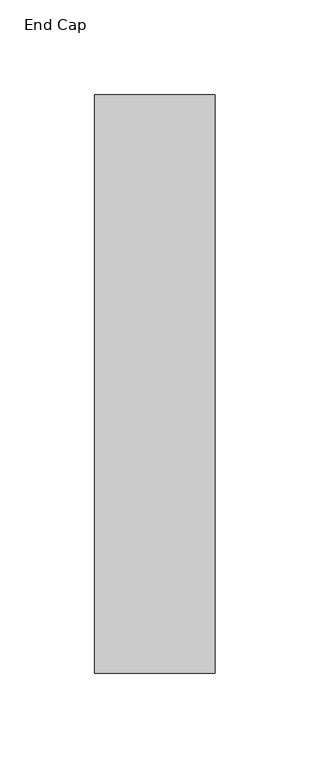
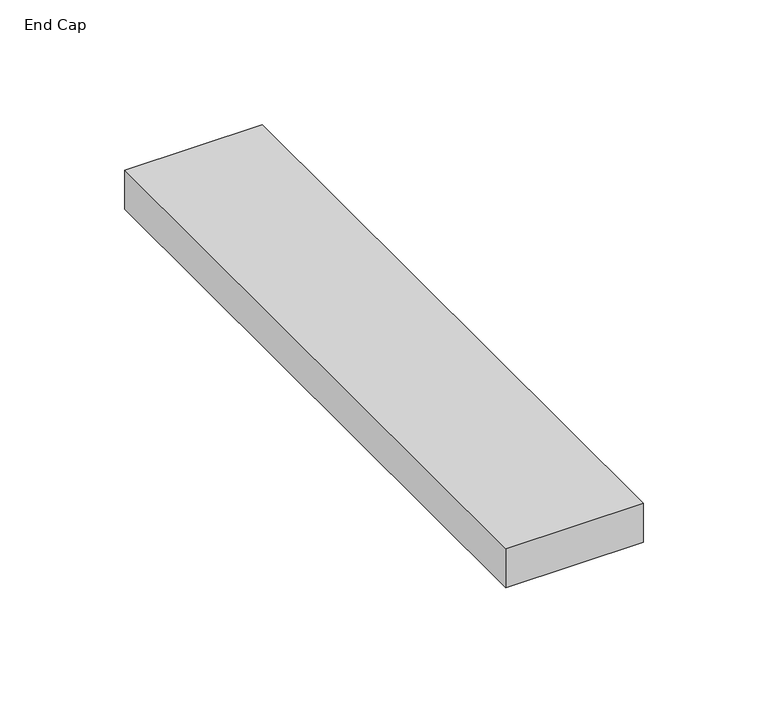
"""IFC4 building model written with IfcOpenShell, lengths in millimetres: furniture geometry, End Cap."""

import ifcopenshell
import ifcopenshell.guid

model = None  # the IFC model being written
_history = None  # IfcOwnerHistory: only IFC2X3 demands one
_inside = {}  # id of a spatial element -> (the spatial element, [elements in it])
_under = {}  # id of a project, library or spatial element -> (it, [spatial elements below it])
_declared = {}  # id of a project -> (the project, [libraries it declares])
_typed = {}  # id of a type object -> (the type object, [elements of that type])
_made_of = {}  # id of a material, layer set ... -> (it, [elements and type objects made of it])


def new_model(schema):
    """Start an empty IFC model of exactly this schema.

    Asked for "IFC4X3", IfcOpenShell would pick the latest addendum, in which some entities
    have other attributes; the version numbers below select the first issue.
    IFC2X3 requires an IfcOwnerHistory on every rooted entity: one is made here for all.
    """
    global model, _history
    if schema == "IFC4X3":
        model = ifcopenshell.file(schema_version=(4, 3, 0, 0))
    else:
        model = ifcopenshell.file(schema=schema)
    _inside.clear()
    _under.clear()
    _declared.clear()
    _typed.clear()
    _made_of.clear()
    _history = None
    if model.schema == "IFC2X3":
        org = make("IfcOrganization", Name="unknown")
        user = make(
            "IfcPersonAndOrganization",
            ThePerson=make("IfcPerson", FamilyName="unknown"),
            TheOrganization=org,
        )
        app = make(
            "IfcApplication",
            ApplicationDeveloper=org,
            Version="unknown",
            ApplicationFullName="unknown",
            ApplicationIdentifier="unknown",
        )
        _history = make(
            "IfcOwnerHistory",
            OwningUser=user,
            OwningApplication=app,
            ChangeAction="ADDED",
            CreationDate=0,
        )
    return model


def make(cls, **values):
    """One entity of the class cls with the attributes given. An attribute that is None is left unset."""
    return model.create_entity(
        cls, **{name: value for name, value in values.items() if value is not None}
    )


def rooted(cls, **values):
    """An entity with a GlobalId (a new one), such as an element, a storey or a relation."""
    return make(cls, GlobalId=ifcopenshell.guid.new(), OwnerHistory=_history, **values)


def si_unit(unit_type, name, prefix=None):
    """IfcSIUnit, for example si_unit("LENGTHUNIT", "METRE", prefix="MILLI")."""
    return make("IfcSIUnit", UnitType=unit_type, Prefix=prefix, Name=name)


def assignment(units):
    """IfcUnitAssignment: the units of a project."""
    return None if units is None else make("IfcUnitAssignment", Units=units)


def point(xyz):
    """IfcCartesianPoint."""
    return None if xyz is None else make("IfcCartesianPoint", Coordinates=xyz)


def direction(xyz):
    """IfcDirection."""
    return None if xyz is None else make("IfcDirection", DirectionRatios=xyz)


def frame(location, z_axis=None, x_axis=None):
    """IfcAxis2Placement3D, a coordinate frame: its origin and axes. An axis left out is left unset."""
    return make(
        "IfcAxis2Placement3D",
        Location=point(location),
        Axis=direction(z_axis),
        RefDirection=direction(x_axis),
    )


def origin():
    """The frame at (0, 0, 0) with its axes left unset."""
    return frame((0.0, 0.0, 0.0))


def place(relative_to, where):
    """IfcLocalPlacement: puts the frame where relative to a parent placement (None: the world)."""
    return make(
        "IfcLocalPlacement", PlacementRelTo=relative_to, RelativePlacement=where
    )


def context(
    kind, dimensions, precision=None, world=None, true_north=None, identifier=None
):
    """IfcGeometricRepresentationContext, for example the 3D "Model" context."""
    return make(
        "IfcGeometricRepresentationContext",
        ContextIdentifier=identifier,
        ContextType=kind,
        CoordinateSpaceDimension=dimensions,
        Precision=precision,
        WorldCoordinateSystem=world,
        TrueNorth=true_north,
    )


def project(units=None, contexts=None):
    """IfcProject with its units and contexts."""
    return rooted(
        "IfcProject",
        Name="project",
        RepresentationContexts=contexts,
        UnitsInContext=assignment(units),
    )


def spatial(cls, under=None, at=None, **own):
    """A site, building, storey or space (cls), placed at a placement, below another one or the project."""
    s = rooted(cls, ObjectPlacement=at, **own)
    if under is not None:
        _under.setdefault(under.id(), (under, []))[1].append(s)
    return s


def polyline(points):
    """IfcPolyline through the points."""
    return make("IfcPolyline", Points=[point(p) for p in points])


def outline(outer, holes=None, kind="AREA"):
    """IfcArbitraryClosedProfileDef: a profile drawn as a closed curve; with holes, ...WithVoids."""
    if holes is None:
        return make("IfcArbitraryClosedProfileDef", ProfileType=kind, OuterCurve=outer)
    return make(
        "IfcArbitraryProfileDefWithVoids",
        ProfileType=kind,
        OuterCurve=outer,
        InnerCurves=holes,
    )


def extrude(swept, where, along, depth):
    """IfcExtrudedAreaSolid: the profile swept, set in the frame where, extruded along a direction by depth."""
    return make(
        "IfcExtrudedAreaSolid",
        SweptArea=swept,
        Position=where,
        ExtrudedDirection=direction(along),
        Depth=depth,
    )


def shape(context_of_items, identifier, shape_type, items):
    """IfcShapeRepresentation: the items that make up one representation, for example the "Body"."""
    return make(
        "IfcShapeRepresentation",
        ContextOfItems=context_of_items,
        RepresentationIdentifier=identifier,
        RepresentationType=shape_type,
        Items=items,
    )


def source(mapping_origin, context_of_items, identifier, shape_type, items):
    """IfcRepresentationMap: a shape defined once, which mapped items show again and again."""
    return make(
        "IfcRepresentationMap",
        MappingOrigin=mapping_origin,
        MappedRepresentation=shape(context_of_items, identifier, shape_type, items),
    )


def transform(
    local_origin,
    x_axis=None,
    y_axis=None,
    z_axis=None,
    scale=None,
    scale2=None,
    scale3=None,
    uniform=True,
):
    """IfcCartesianTransformationOperator3D, or its non-uniform kind. x_axis, y_axis, z_axis: its Axis1, 2, 3."""
    if uniform:
        return make(
            "IfcCartesianTransformationOperator3D",
            Axis1=direction(x_axis),
            Axis2=direction(y_axis),
            LocalOrigin=point(local_origin),
            Scale=scale,
            Axis3=direction(z_axis),
        )
    return make(
        "IfcCartesianTransformationOperator3DnonUniform",
        Axis1=direction(x_axis),
        Axis2=direction(y_axis),
        LocalOrigin=point(local_origin),
        Scale=scale,
        Axis3=direction(z_axis),
        Scale2=scale2,
        Scale3=scale3,
    )


def mapped(mapping_source, mapping_target):
    """IfcMappedItem: shows the shape of a source again, moved by a transform."""
    return make(
        "IfcMappedItem", MappingSource=mapping_source, MappingTarget=mapping_target
    )


def made_of(thing, what):
    """Note that an element or type object is made of a material, layer set ...; save() writes the relation."""
    if what is not None:
        _made_of.setdefault(what.id(), (what, []))[1].append(thing)
    return thing


def element(
    cls,
    number,
    at=None,
    inside=None,
    cuts=None,
    type_object=None,
    material=None,
    context=None,
    identifier="Body",
    shape_type=None,
    held_by="IfcProductDefinitionShape",
    body=None,
    shapes=None,
    **own,
):
    """One element of the class cls, such as IfcWall. Its Tag is "e" and its number.

    at: its placement. inside: the storey or other place that contains it. cuts: it is an
    opening in that element (IfcRelVoidsElement). A single representation is given by context,
    identifier, shape_type and body (its items); several are given by shapes. held_by: the class
    of the entity that holds the representations. save() writes the other relations.
    """
    e = rooted(cls, Tag="e%d" % number, ObjectPlacement=at, **own)
    if body is not None:
        shapes = [shape(context, identifier, shape_type, body)]
    if shapes is not None:
        e.Representation = make(held_by, Representations=shapes)
    if inside is not None:
        _inside.setdefault(inside.id(), (inside, []))[1].append(e)
    if cuts is not None:
        rooted(
            "IfcRelVoidsElement", RelatingBuildingElement=cuts, RelatedOpeningElement=e
        )
    if type_object is not None:
        _typed.setdefault(type_object.id(), (type_object, []))[1].append(e)
    return made_of(e, material)


def aggregate(whole, parts):
    """IfcRelAggregates: a whole, such as a stair, and the parts it consists of."""
    return rooted("IfcRelAggregates", RelatingObject=whole, RelatedObjects=parts)


def save(model, path):
    """Write the relations noted so far, then the file.

    IfcRelAggregates (storeys below a building ...), IfcRelContainedInSpatialStructure (elements
    in a storey), IfcRelDefinesByType, IfcRelAssociatesMaterial and IfcRelDeclares: one each for
    every whole, place, type object, material and project.
    """
    for whole, parts in _under.values():
        aggregate(whole, parts)
    for where, things in _inside.values():
        rooted(
            "IfcRelContainedInSpatialStructure",
            RelatedElements=things,
            RelatingStructure=where,
        )
    for kind, things in _typed.values():
        rooted("IfcRelDefinesByType", RelatedObjects=things, RelatingType=kind)
    for what, things in _made_of.values():
        rooted("IfcRelAssociatesMaterial", RelatedObjects=things, RelatingMaterial=what)
    for by, libraries in _declared.values():
        rooted("IfcRelDeclares", RelatingContext=by, RelatedDefinitions=libraries)
    model.write(path)


def end_cap_e8ff27dd(model_context):
    return source(origin(), model_context, "Body", "SweptSolid", [
        extrude(outline(polyline([(-120.65, 177.8), (-120.65, -127.0), (-184.15, -127.0), (-184.15, 177.8), (-120.65, 177.8)])), frame((0.0, 0.0, 1219.2), z_axis=(0.0, 0.0, 1.0), x_axis=(1.0, 0.0, 0.0)), (0.0, 0.0, 1.0), 19.05),
    ])


if __name__ == "__main__":
    model = new_model("IFC4")
    model_context = context("Model", 3, world=origin())
    ifc_project = project(units=[si_unit("LENGTHUNIT", "METRE", prefix="MILLI")], contexts=[model_context])
    site = spatial("IfcSite", under=ifc_project)
    building = spatial("IfcBuilding", under=site)
    placement = place(None, origin())
    end_cap_shape = end_cap_e8ff27dd(model_context)
    element("IfcFurniture", 1, ObjectType="End Cap", at=placement, inside=building, context=model_context, shape_type="MappedRepresentation", body=[
        mapped(end_cap_shape, transform((0.0, 0.0, 0.0), x_axis=(1.0, 0.0, 0.0), y_axis=(0.0, 1.0, 0.0), z_axis=(0.0, 0.0, 1.0))),
    ])
    save(model, "model.ifc")
